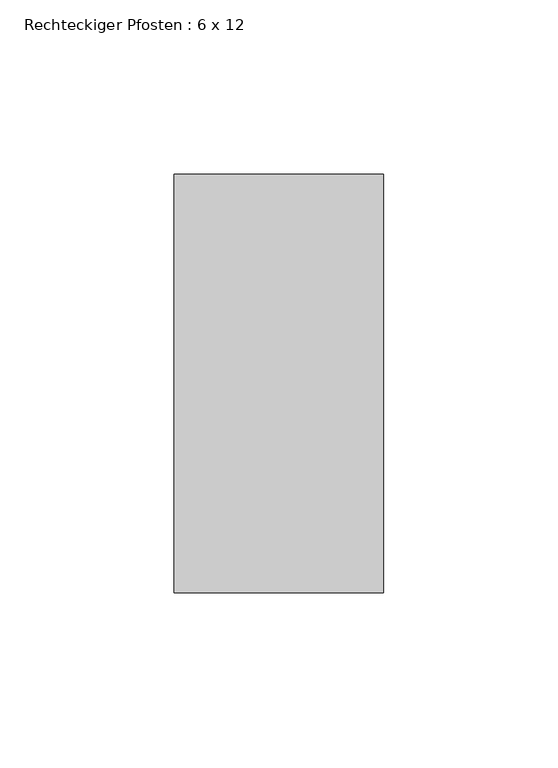
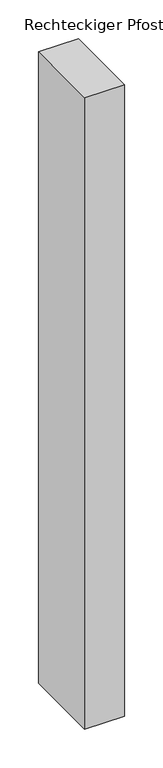
"""IFC4 building model written with IfcOpenShell, lengths in millimetres: member geometry, Rechteckiger Pfosten : 6 x 12."""

from ifc_helpers import new_model, si_unit, frame, origin, place, context, project, spatial, polyline, outline, extrude, source, transform, mapped, element, save


def rechteckiger_pfosten_6_x_12_fffbd5d1(model_context):
    return source(origin(), model_context, "Body", "SweptSolid", [
        extrude(outline(polyline([(0.0, 60.0), (0.0, -60.0), (-60.0, -60.0), (-60.0, 60.0), (0.0, 60.0)])), frame((0.0, 0.0, -1000.0), z_axis=(0.0, 0.0, 1.0), x_axis=(1.0, 0.0, 0.0)), (0.0, 0.0, 1.0), 1000.0),
    ])


if __name__ == "__main__":
    model = new_model("IFC4")
    model_context = context("Model", 3, world=origin())
    ifc_project = project(units=[si_unit("LENGTHUNIT", "METRE", prefix="MILLI")], contexts=[model_context])
    site = spatial("IfcSite", under=ifc_project)
    building = spatial("IfcBuilding", under=site)
    placement = place(None, origin())
    rechteckiger_pfosten_6_x_12_shape = rechteckiger_pfosten_6_x_12_fffbd5d1(model_context)
    element("IfcMember", 1, ObjectType="Rechteckiger Pfosten : 6 x 12", at=placement, inside=building, context=model_context, shape_type="MappedRepresentation", body=[
        mapped(rechteckiger_pfosten_6_x_12_shape, transform((0.0, 0.0, 0.0), x_axis=(1.0, 0.0, 0.0), y_axis=(0.0, 1.0, 0.0), z_axis=(0.0, 0.0, 1.0))),
    ])
    save(model, "model.ifc")
